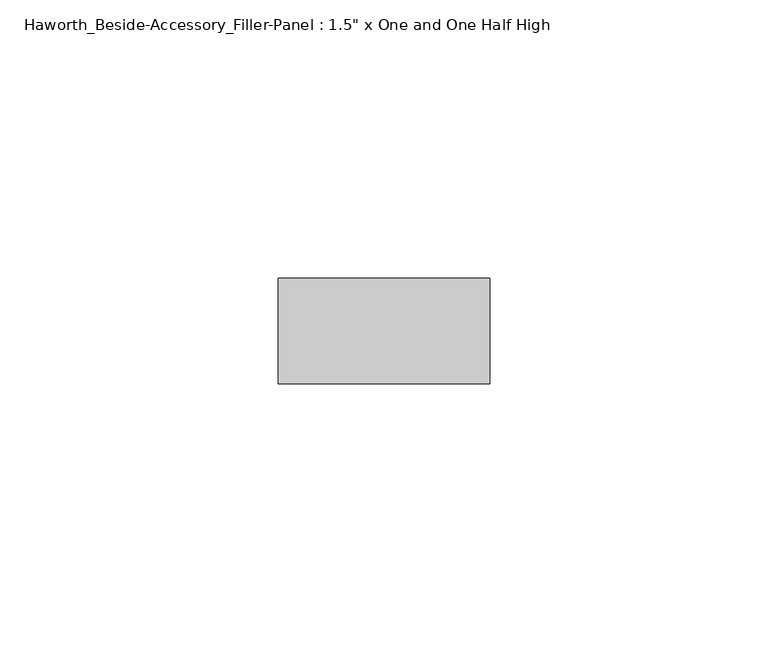
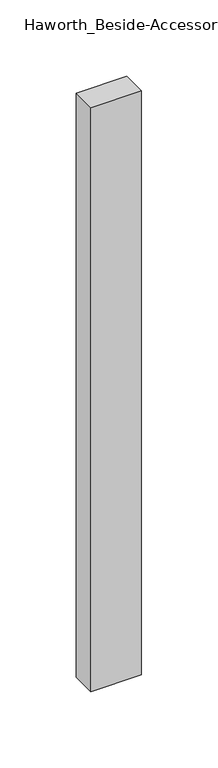
"""IFC4 building model written with IfcOpenShell, lengths in millimetres: furniture geometry."""

from ifc_helpers import new_model, si_unit, frame, origin, place, context, project, spatial, polyline, outline, extrude, source, transform, mapped, element, save


def furniture_55dac93d(model_context):
    return source(origin(), model_context, "Body", "SweptSolid", [
        extrude(outline(polyline([(320.675, -247.8645843), (282.575, -247.8645843), (282.575, -228.8145843), (320.675, -228.8145843), (320.675, -247.8645843)])), frame((0.0, 0.0, 44.45), z_axis=(0.0, 0.0, 1.0), x_axis=(1.0, 0.0, 0.0)), (0.0, 0.0, 1.0), 466.725),
    ])


if __name__ == "__main__":
    model = new_model("IFC4")
    model_context = context("Model", 3, world=origin())
    ifc_project = project(units=[si_unit("LENGTHUNIT", "METRE", prefix="MILLI")], contexts=[model_context])
    site = spatial("IfcSite", under=ifc_project)
    building = spatial("IfcBuilding", under=site)
    placement = place(None, origin())
    furniture_shape = furniture_55dac93d(model_context)
    element("IfcFurniture", 1, ObjectType="Haworth_Beside-Accessory_Filler-Panel : 1.5\" x One and One Half High", at=placement, inside=building, context=model_context, shape_type="MappedRepresentation", body=[
        mapped(furniture_shape, transform((0.0, 0.0, 0.0), x_axis=(1.0, 0.0, 0.0), y_axis=(0.0, 1.0, 0.0), z_axis=(0.0, 0.0, 1.0))),
    ])
    save(model, "model.ifc")
